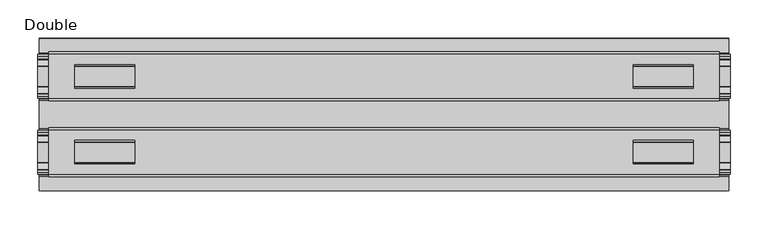
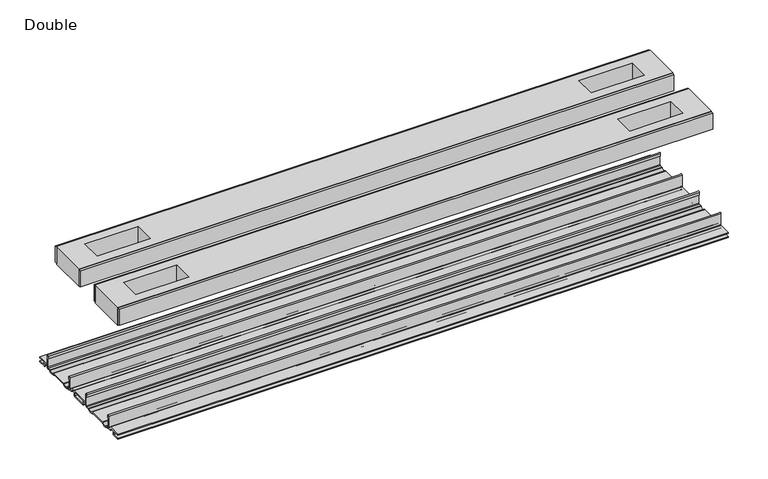
"""IFC4 building model written with IfcOpenShell, lengths in millimetres: proxy geometry, Double."""

from ifc_helpers import new_model, si_unit, point, frame, frame_2d, origin, place, context, project, spatial, polyline, circle_curve, trimmed, segment, composite_curve, outline, extrude, source, transform, mapped, element, save


def double_5125c6b6(model_context):
    return source(origin(), model_context, "Body", "SweptSolid", [
        extrude(outline(composite_curve([segment(trimmed(circle_curve(frame_2d((76.6483061, -7.7516037)), 2.17424), [point((78.8225461, -7.7516037))], [point((76.6483061, -9.9258438))], False, "CARTESIAN"), True, "CONTINUOUS"), segment(polyline([(76.6483061, -9.9258438), (72.3573194, -9.9258438)]), True, "CONTINUOUS"), segment(trimmed(circle_curve(frame_2d((67.7769049, -6.4800016)), 5.7318431), [point((72.3573194, -9.9258438))], [point((63.1964904, -9.9258438))], False, "CARTESIAN"), True, "CONTINUOUS"), segment(polyline([(63.1964904, -9.9258438), (36.43501, -9.9258438)]), True, "CONTINUOUS"), segment(trimmed(circle_curve(frame_2d((31.8545955, -6.4800016)), 5.7318431), [point((36.43501, -9.9258438))], [point((27.274181, -9.9258438))], False, "CARTESIAN"), True, "CONTINUOUS"), segment(polyline([(27.274181, -9.9258438), (22.9831943, -9.9258438)]), True, "CONTINUOUS"), segment(trimmed(circle_curve(frame_2d((22.9831943, -7.7516037)), 2.17424), [point((22.9831943, -9.9258438))], [point((20.8089542, -7.7516037))], False, "CARTESIAN"), True, "CONTINUOUS"), segment(polyline([(20.8089542, -7.7516037), (20.8089542, 9.8607558)]), True, "CONTINUOUS"), segment(trimmed(circle_curve(frame_2d((22.0281522, 9.8607558)), 1.2191979), [point((20.8089542, 9.8607558))], [point((23.2473501, 9.8607558))], False, "CARTESIAN"), True, "CONTINUOUS"), segment(polyline([(23.2473501, 9.8607558), (23.2473501, 5.9999563), (21.9671735, 5.9999563), (21.9671735, -7.7516037)]), True, "CONTINUOUS"), segment(trimmed(circle_curve(frame_2d((22.9831943, -7.7516037)), 1.0160208), [point((21.9671735, -7.7516037))], [point((22.9766772, -8.7676036))], True, "CARTESIAN"), True, "CONTINUOUS"), segment(polyline([(22.9766772, -8.7676036), (26.9196277, -8.7676036), (27.8329895, -8.968753)]), True, "CONTINUOUS"), segment(trimmed(circle_curve(frame_2d((31.8579482, -6.1259382)), 4.9276657), [point((27.8329895, -8.968753))], [point((35.8829069, -8.968753))], True, "CARTESIAN"), True, "CONTINUOUS"), segment(polyline([(35.8829069, -8.968753), (36.7962778, -8.7676036), (62.8352226, -8.7676036), (63.7485934, -8.968753)]), True, "CONTINUOUS"), segment(trimmed(circle_curve(frame_2d((67.7735521, -6.1259382)), 4.9276657), [point((63.7485934, -8.968753))], [point((71.7985108, -8.968753))], True, "CARTESIAN"), True, "CONTINUOUS"), segment(polyline([(71.7985108, -8.968753), (72.7118726, -8.7676036), (76.6548232, -8.7676036)]), True, "CONTINUOUS"), segment(trimmed(circle_curve(frame_2d((76.6483061, -7.7516037)), 1.0160208), [point((76.6548232, -8.7676036))], [point((77.6643269, -7.7516037))], True, "CARTESIAN"), True, "CONTINUOUS"), segment(polyline([(77.6643269, -7.7516037), (77.6643269, 5.9999563), (76.3841503, 5.9999563), (76.3841503, 9.8607558)]), True, "CONTINUOUS"), segment(trimmed(circle_curve(frame_2d((77.6033482, 9.8607558)), 1.2191979), [point((76.3841503, 9.8607558))], [point((78.8225461, 9.8607558))], False, "CARTESIAN"), True, "CONTINUOUS"), segment(polyline([(78.8225461, 9.8607558), (78.8225461, -7.7516037)]), True, "CONTINUOUS")], self_intersect=False)), frame((-455.3204, 0.0, 0.0), z_axis=(1.0, 0.0, 0.0), x_axis=(0.0, 1.0, 0.0)), (0.0, 0.0, 1.0), 910.6408),
        extrude(outline(composite_curve([segment(polyline([(-79.2035458, -7.7516037), (-79.2035458, 9.8607558)]), True, "CONTINUOUS"), segment(trimmed(circle_curve(frame_2d((-77.9843478, 9.8607558)), 1.2191979), [point((-79.2035458, 9.8607558))], [point((-76.7651499, 9.8607558))], False, "CARTESIAN"), True, "CONTINUOUS"), segment(polyline([(-76.7651499, 9.8607558), (-76.7651499, 5.9999563), (-78.0453265, 5.9999563), (-78.0453265, -7.7516037)]), True, "CONTINUOUS"), segment(trimmed(circle_curve(frame_2d((-77.0293057, -7.7516037)), 1.0160208), [point((-78.0453265, -7.7516037))], [point((-77.0358228, -8.7676036))], True, "CARTESIAN"), True, "CONTINUOUS"), segment(polyline([(-77.0358228, -8.7676036), (-73.0928723, -8.7676036), (-72.1795105, -8.968753)]), True, "CONTINUOUS"), segment(trimmed(circle_curve(frame_2d((-68.1545518, -6.1259382)), 4.9276657), [point((-72.1795105, -8.968753))], [point((-64.1295931, -8.968753))], True, "CARTESIAN"), True, "CONTINUOUS"), segment(polyline([(-64.1295931, -8.968753), (-63.2162222, -8.7676036), (-37.1772774, -8.7676036), (-36.2639066, -8.968753)]), True, "CONTINUOUS"), segment(trimmed(circle_curve(frame_2d((-32.2389479, -6.1259382)), 4.9276657), [point((-36.2639066, -8.968753))], [point((-28.2139892, -8.968753))], True, "CARTESIAN"), True, "CONTINUOUS"), segment(polyline([(-28.2139892, -8.968753), (-27.3006274, -8.7676036), (-23.3576768, -8.7676036)]), True, "CONTINUOUS"), segment(trimmed(circle_curve(frame_2d((-23.3641939, -7.7516037)), 1.0160208), [point((-23.3576768, -8.7676036))], [point((-22.3481731, -7.7516037))], True, "CARTESIAN"), True, "CONTINUOUS"), segment(polyline([(-22.3481731, -7.7516037), (-22.3481731, 5.9999563), (-23.6283497, 5.9999563), (-23.6283497, 9.8607558)]), True, "CONTINUOUS"), segment(trimmed(circle_curve(frame_2d((-22.4091518, 9.8607558)), 1.2191979), [point((-23.6283497, 9.8607558))], [point((-21.1899539, 9.8607558))], False, "CARTESIAN"), True, "CONTINUOUS"), segment(polyline([(-21.1899539, 9.8607558), (-21.1899539, -7.7516037)]), True, "CONTINUOUS"), segment(trimmed(circle_curve(frame_2d((-23.3641939, -7.7516037)), 2.17424), [point((-21.1899539, -7.7516037))], [point((-23.3641939, -9.9258438))], False, "CARTESIAN"), True, "CONTINUOUS"), segment(polyline([(-23.3641939, -9.9258438), (-27.6551806, -9.9258438)]), True, "CONTINUOUS"), segment(trimmed(circle_curve(frame_2d((-32.2355951, -6.4800016)), 5.7318431), [point((-27.6551806, -9.9258438))], [point((-36.8160096, -9.9258438))], False, "CARTESIAN"), True, "CONTINUOUS"), segment(polyline([(-36.8160096, -9.9258438), (-63.57749, -9.9258438)]), True, "CONTINUOUS"), segment(trimmed(circle_curve(frame_2d((-68.1579045, -6.4800016)), 5.7318431), [point((-63.57749, -9.9258438))], [point((-72.738319, -9.9258438))], False, "CARTESIAN"), True, "CONTINUOUS"), segment(polyline([(-72.738319, -9.9258438), (-77.0293057, -9.9258438)]), True, "CONTINUOUS"), segment(trimmed(circle_curve(frame_2d((-77.0293057, -7.7516037)), 2.17424), [point((-77.0293057, -9.9258438))], [point((-79.2035458, -7.7516037))], False, "CARTESIAN"), True, "CONTINUOUS")], self_intersect=False)), frame((-455.3204, 0.0, 0.0), z_axis=(1.0, 0.0, 0.0), x_axis=(0.0, 1.0, 0.0)), (0.0, 0.0, 1.0), 910.6408),
        extrude(outline(polyline([(441.2615091, 78.8225461), (-441.2615091, 78.8225461), (-441.2615091, 81.9975522), (441.2615091, 81.9975522), (441.2615091, 78.8225461)])), frame((0.0, 0.0, 149.8401622), z_axis=(0.0, 0.0, 1.0), x_axis=(1.0, 0.0, 0.0)), (0.0, 0.0, 1.0), 25.3999939),
        extrude(outline(polyline([(441.2615091, 17.6339482), (-441.2615091, 17.6339482), (-441.2615091, 20.8089542), (441.2615091, 20.8089542), (441.2615091, 17.6339482)])), frame((0.0, 0.0, 149.8401622), z_axis=(0.0, 0.0, 1.0), x_axis=(1.0, 0.0, 0.0)), (0.0, 0.0, 1.0), 25.3999939),
        extrude(outline(polyline([(441.2615091, -21.1899493), (-441.2615091, -21.1899493), (-441.2615091, -18.0149501), (441.2615091, -18.0149501), (441.2615091, -21.1899493)])), frame((0.0, 0.0, 149.8401622), z_axis=(0.0, 0.0, 1.0), x_axis=(1.0, 0.0, 0.0)), (0.0, 0.0, 1.0), 25.3999939),
        extrude(outline(polyline([(441.2615091, -82.3785496), (-441.2615091, -82.3785496), (-441.2615091, -79.2035503), (441.2615091, -79.2035503), (441.2615091, -82.3785496)])), frame((0.0, 0.0, 149.8401622), z_axis=(0.0, 0.0, 1.0), x_axis=(1.0, 0.0, 0.0)), (0.0, 0.0, 1.0), 25.3999939),
        extrude(outline(polyline([(441.2615091, -79.2035503), (-441.2615091, -79.2035503), (-441.2615091, -21.1899493), (441.2615091, -21.1899493), (441.2615091, -79.2035503)]), holes=[polyline([(406.8444965, -65.3097536), (406.8444965, -34.3217468), (327.7996847, -34.3217468), (327.7996847, -65.3097536), (406.8444965, -65.3097536)]), polyline([(-406.8444965, -65.3097536), (-327.7996847, -65.3097536), (-327.7996847, -34.3217468), (-406.8444965, -34.3217468), (-406.8444965, -65.3097536)])]), frame((0.0, 0.0, 148.4185847), z_axis=(0.0, 0.0, 1.0), x_axis=(1.0, 0.0, 0.0)), (0.0, 0.0, 1.0), 27.9999988),
        extrude(outline(polyline([(441.2615091, 78.8225461), (441.2615091, 20.8224524), (-441.2615091, 20.8224524), (-441.2615091, 78.8225461), (441.2615091, 78.8225461)]), holes=[polyline([(406.8444965, 65.3097536), (327.7996847, 65.3097536), (327.7996847, 34.3217468), (406.8444965, 34.3217468), (406.8444965, 65.3097536)]), polyline([(-406.8444965, 65.3097536), (-406.8444965, 34.3217468), (-327.7996847, 34.3217468), (-327.7996847, 65.3097536), (-406.8444965, 65.3097536)])]), frame((0.0, 0.0, 148.4185847), z_axis=(0.0, 0.0, 1.0), x_axis=(1.0, 0.0, 0.0)), (0.0, 0.0, 1.0), 27.9999988),
        extrude(outline(composite_curve([segment(polyline([(100.2730922, -13.9898438), (89.6620022, -13.9898438)]), True, "CONTINUOUS"), segment(trimmed(circle_curve(frame_2d((89.6620022, -12.4658438)), 1.524), [point((89.6620022, -13.9898438))], [point((88.1380022, -12.4658438))], False, "CARTESIAN"), True, "CONTINUOUS"), segment(polyline([(88.1380022, -12.4658438), (88.1380022, -7.766844), (81.3117474, -7.766844), (81.3117474, -10.0528438)]), True, "CONTINUOUS"), segment(trimmed(circle_curve(frame_2d((79.7877474, -10.0528438)), 1.524), [point((81.3117474, -10.0528438))], [point((79.7877474, -11.5768438))], False, "CARTESIAN"), True, "CONTINUOUS"), segment(polyline([(79.7877474, -11.5768438), (73.2816053, -11.5768438)]), True, "CONTINUOUS"), segment(trimmed(circle_curve(frame_2d((67.7735521, -6.4968436)), 7.4930002), [point((73.2816053, -11.5768438))], [point((62.5157472, -11.8354331))], False, "CARTESIAN"), True, "CONTINUOUS"), segment(polyline([(62.5157472, -11.8354331), (37.1157532, -11.8354331)]), True, "CONTINUOUS"), segment(trimmed(circle_curve(frame_2d((31.8579482, -6.4968436)), 7.4930002), [point((37.1157532, -11.8354331))], [point((26.3498951, -11.5768438))], False, "CARTESIAN"), True, "CONTINUOUS"), segment(polyline([(26.3498951, -11.5768438), (19.8437529, -11.5768438)]), True, "CONTINUOUS"), segment(trimmed(circle_curve(frame_2d((19.8437529, -10.0528438)), 1.524), [point((19.8437529, -11.5768438))], [point((18.319753, -10.0528438))], False, "CARTESIAN"), True, "CONTINUOUS"), segment(polyline([(18.319753, -10.0528438), (18.319753, -7.766844), (11.4934981, -7.766844), (11.4934981, -12.4658438)]), True, "CONTINUOUS"), segment(trimmed(circle_curve(frame_2d((9.9694982, -12.4658438)), 1.524), [point((11.4934981, -12.4658438))], [point((9.9694982, -13.9898438))], False, "CARTESIAN"), True, "CONTINUOUS"), segment(polyline([(9.9694982, -13.9898438), (-10.3504978, -13.9898438)]), True, "CONTINUOUS"), segment(trimmed(circle_curve(frame_2d((-10.3504978, -12.4658438)), 1.524), [point((-10.3504978, -13.9898438))], [point((-11.8744978, -12.4658438))], False, "CARTESIAN"), True, "CONTINUOUS"), segment(polyline([(-11.8744978, -12.4658438), (-11.8744978, -7.766844), (-18.7007526, -7.766844), (-18.7007526, -10.0528438)]), True, "CONTINUOUS"), segment(trimmed(circle_curve(frame_2d((-20.2247526, -10.0528438)), 1.524), [point((-18.7007526, -10.0528438))], [point((-20.2247526, -11.5768438))], False, "CARTESIAN"), True, "CONTINUOUS"), segment(polyline([(-20.2247526, -11.5768438), (-26.7308947, -11.5768438)]), True, "CONTINUOUS"), segment(trimmed(circle_curve(frame_2d((-32.2389479, -6.4968436)), 7.4930002), [point((-26.7308947, -11.5768438))], [point((-37.4967528, -11.8354331))], False, "CARTESIAN"), True, "CONTINUOUS"), segment(polyline([(-37.4967528, -11.8354331), (-62.8967468, -11.8354331)]), True, "CONTINUOUS"), segment(trimmed(circle_curve(frame_2d((-68.1545518, -6.4968436)), 7.4930002), [point((-62.8967468, -11.8354331))], [point((-73.6626049, -11.5768438))], False, "CARTESIAN"), True, "CONTINUOUS"), segment(polyline([(-73.6626049, -11.5768438), (-80.1687471, -11.5768438)]), True, "CONTINUOUS"), segment(trimmed(circle_curve(frame_2d((-80.1687471, -10.0528438)), 1.524), [point((-80.1687471, -11.5768438))], [point((-81.692747, -10.0528438))], False, "CARTESIAN"), True, "CONTINUOUS"), segment(polyline([(-81.692747, -10.0528438), (-81.692747, -7.766844), (-88.5190019, -7.766844), (-88.5190019, -12.4658438)]), True, "CONTINUOUS"), segment(trimmed(circle_curve(frame_2d((-90.0430018, -12.4658438)), 1.524), [point((-88.5190019, -12.4658438))], [point((-90.0430018, -13.9898438))], False, "CARTESIAN"), True, "CONTINUOUS"), segment(polyline([(-90.0430018, -13.9898438), (-100.6540918, -13.9898438), (-100.6112708, -12.3388438), (-90.1700003, -12.3388438), (-90.1700003, -7.766844), (-100.6112708, -7.766844), (-100.6540918, -6.1158439), (-81.6301718, -6.1158439)]), True, "CONTINUOUS"), segment(trimmed(circle_curve(frame_2d((-81.6927482, -7.7656583)), 1.6510007), [point((-81.6301718, -6.1158439))], [point((-80.0417475, -7.7656583))], False, "CARTESIAN"), True, "CONTINUOUS"), segment(polyline([(-80.0417475, -7.7656583), (-80.0417475, -9.9258438), (-73.493084, -9.9258438)]), True, "CONTINUOUS"), segment(trimmed(circle_curve(frame_2d((-68.1545518, -5.2268471)), 7.1119966), [point((-73.493084, -9.9258438))], [point((-62.8160195, -9.9258438))], True, "CARTESIAN"), True, "CONTINUOUS"), segment(polyline([(-62.8160195, -9.9258438), (-37.5774801, -9.9258438)]), True, "CONTINUOUS"), segment(trimmed(circle_curve(frame_2d((-32.2389479, -5.2268471)), 7.1119966), [point((-37.5774801, -9.9258438))], [point((-26.9004156, -9.9258438))], True, "CARTESIAN"), True, "CONTINUOUS"), segment(polyline([(-26.9004156, -9.9258438), (-20.3517522, -9.9258438), (-20.3517522, -7.7656583)]), True, "CONTINUOUS"), segment(trimmed(circle_curve(frame_2d((-18.7007515, -7.7656583)), 1.6510007), [point((-20.3517522, -7.7656583))], [point((-18.7633278, -6.1158439))], False, "CARTESIAN"), True, "CONTINUOUS"), segment(polyline([(-18.7633278, -6.1158439), (18.3823282, -6.1158439)]), True, "CONTINUOUS"), segment(trimmed(circle_curve(frame_2d((18.3197518, -7.7656583)), 1.6510007), [point((18.3823282, -6.1158439))], [point((19.9707525, -7.7656583))], False, "CARTESIAN"), True, "CONTINUOUS"), segment(polyline([(19.9707525, -7.7656583), (19.9707525, -9.9258438), (26.519416, -9.9258438)]), True, "CONTINUOUS"), segment(trimmed(circle_curve(frame_2d((31.8579482, -5.2268471)), 7.1119966), [point((26.519416, -9.9258438))], [point((37.1964805, -9.9258438))], True, "CARTESIAN"), True, "CONTINUOUS"), segment(polyline([(37.1964805, -9.9258438), (62.4350199, -9.9258438)]), True, "CONTINUOUS"), segment(trimmed(circle_curve(frame_2d((67.7735521, -5.2268471)), 7.1119966), [point((62.4350199, -9.9258438))], [point((73.1120844, -9.9258438))], True, "CARTESIAN"), True, "CONTINUOUS"), segment(polyline([(73.1120844, -9.9258438), (79.6607478, -9.9258438), (79.6607478, -7.6398436)]), True, "CONTINUOUS"), segment(trimmed(circle_curve(frame_2d((81.1847475, -7.6398436)), 1.5239997), [point((79.6607478, -7.6398436))], [point((81.1847475, -6.1158439))], False, "CARTESIAN"), True, "CONTINUOUS"), segment(polyline([(81.1847475, -6.1158439), (100.2730922, -6.1158439), (100.2302711, -7.766844), (89.7890007, -7.766844), (89.7890007, -12.3388438), (100.2302711, -12.3388438), (100.2730922, -13.9898438)]), True, "CONTINUOUS")], self_intersect=False), holes=[polyline([(9.8424997, -12.3388438), (9.8424997, -7.766844), (-10.2234993, -7.766844), (-10.2234993, -12.3388438), (9.8424997, -12.3388438)])]), frame((-453.6694, 0.0, 0.0), z_axis=(1.0, 0.0, 0.0), x_axis=(0.0, 1.0, 0.0)), (0.0, 0.0, 1.0), 907.3388),
    ])


if __name__ == "__main__":
    model = new_model("IFC4")
    model_context = context("Model", 3, world=origin())
    ifc_project = project(units=[si_unit("LENGTHUNIT", "METRE", prefix="MILLI")], contexts=[model_context])
    site = spatial("IfcSite", under=ifc_project)
    building = spatial("IfcBuilding", under=site)
    placement = place(None, origin())
    double_shape = double_5125c6b6(model_context)
    element("IfcBuildingElementProxy", 1, Name="Double", ObjectType="Double", at=placement, inside=building, context=model_context, shape_type="MappedRepresentation", body=[
        mapped(double_shape, transform((0.0, 0.0, 0.0), x_axis=(1.0, 0.0, 0.0), y_axis=(0.0, 1.0, 0.0), z_axis=(0.0, 0.0, 1.0))),
    ])
    save(model, "model.ifc")
